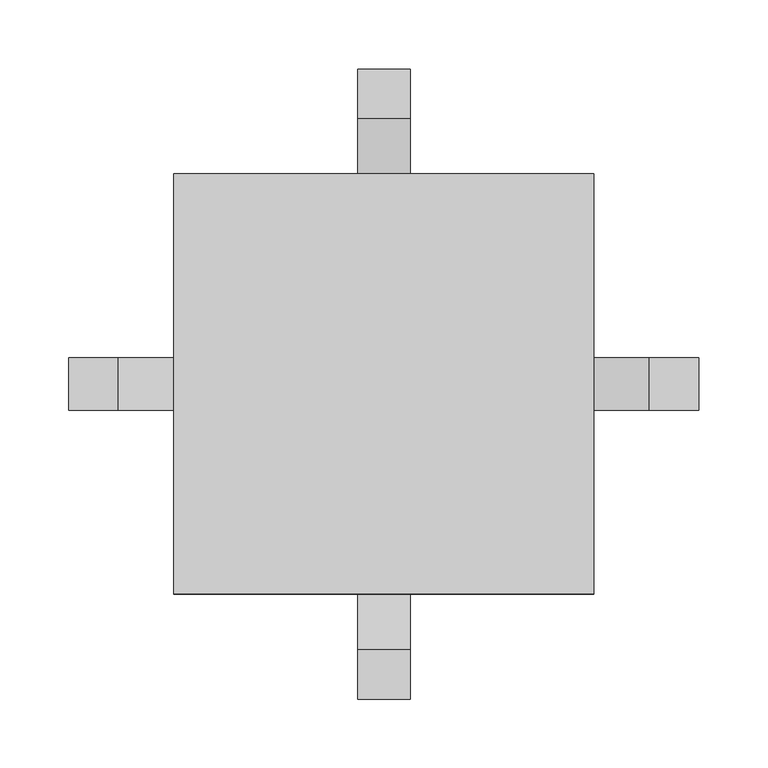
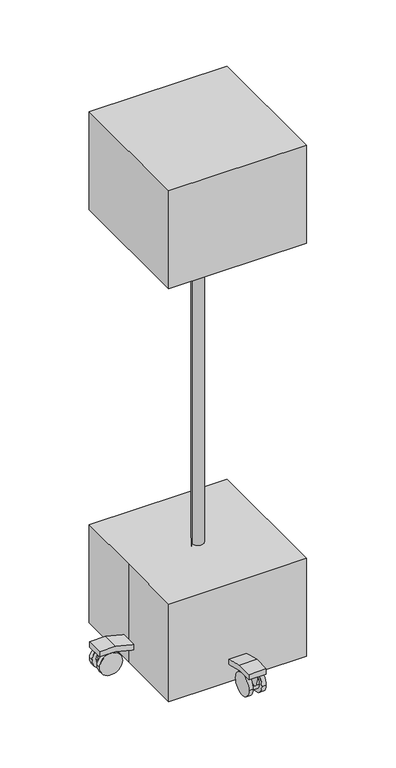
"""IFC4 building model written with IfcOpenShell, lengths in millimetres: proxy geometry."""

from ifc_helpers import new_model, si_unit, point, frame, frame_2d, origin, origin_with_axes, place, context, project, spatial, polyline, circle_curve, trimmed, segment, composite_curve, outline, extrude, source, transform, mapped, element, save


def specialty_equipment_db1a511b(model_context):
    return source(origin(), model_context, "Body", "SweptSolid", [
        extrude(outline(composite_curve([segment(trimmed(circle_curve(frame_2d((25.4, -203.1007812)), 25.4), [point((25.4, -177.7007812))], [point((25.4, -228.5007812))], False, "CARTESIAN"), True, "CONTINUOUS"), segment(trimmed(circle_curve(frame_2d((25.4, -203.1007812)), 25.4), [point((25.4, -228.5007812))], [point((25.4, -177.7007812))], False, "CARTESIAN"), True, "CONTINUOUS")], self_intersect=False)), frame((0.0, -19.0582682, 0.0), z_axis=(0.0, 1.0, 0.0), x_axis=(0.0, 0.0, 1.0)), (0.0, 0.0, 1.0), 9.525),
        extrude(outline(composite_curve([segment(trimmed(circle_curve(frame_2d((25.4, -203.1007812)), 25.4), [point((25.4, -177.7007812))], [point((25.4, -228.5007812))], False, "CARTESIAN"), True, "CONTINUOUS"), segment(trimmed(circle_curve(frame_2d((25.4, -203.1007812)), 25.4), [point((25.4, -228.5007812))], [point((25.4, -177.7007812))], False, "CARTESIAN"), True, "CONTINUOUS")], self_intersect=False)), frame((0.0, 9.5167318, 0.0), z_axis=(0.0, 1.0, 0.0), x_axis=(0.0, 0.0, 1.0)), (0.0, 0.0, 1.0), 9.525),
        extrude(outline(composite_curve([segment(trimmed(circle_curve(frame_2d((-203.0759766, 25.4)), 25.4), [point((-228.4759766, 25.4))], [point((-177.6759766, 25.4))], False, "CARTESIAN"), True, "CONTINUOUS"), segment(trimmed(circle_curve(frame_2d((-203.0759766, 25.4)), 25.4), [point((-177.6759766, 25.4))], [point((-228.4759766, 25.4))], False, "CARTESIAN"), True, "CONTINUOUS")], self_intersect=False)), frame((9.4919271, 0.0, 0.0), z_axis=(1.0, 0.0, 0.0), x_axis=(0.0, 1.0, 0.0)), (0.0, 0.0, 1.0), 9.525),
        extrude(outline(composite_curve([segment(trimmed(circle_curve(frame_2d((-203.0759766, 25.4)), 25.4), [point((-177.6759766, 25.4))], [point((-228.4759766, 25.4))], False, "CARTESIAN"), True, "CONTINUOUS"), segment(trimmed(circle_curve(frame_2d((-203.0759766, 25.4)), 25.4), [point((-228.4759766, 25.4))], [point((-177.6759766, 25.4))], False, "CARTESIAN"), True, "CONTINUOUS")], self_intersect=False)), frame((-19.0830729, 0.0, 0.0), z_axis=(1.0, 0.0, 0.0), x_axis=(0.0, 1.0, 0.0)), (0.0, 0.0, 1.0), 9.525),
        extrude(outline(composite_curve([segment(trimmed(circle_curve(frame_2d((25.4, 203.2330729)), 25.4), [point((25.4, 228.6330729))], [point((25.4, 177.8330729))], False, "CARTESIAN"), True, "CONTINUOUS"), segment(trimmed(circle_curve(frame_2d((25.4, 203.2330729)), 25.4), [point((25.4, 177.8330729))], [point((25.4, 228.6330729))], False, "CARTESIAN"), True, "CONTINUOUS")], self_intersect=False)), frame((0.0, 9.5167318, 0.0), z_axis=(0.0, 1.0, 0.0), x_axis=(0.0, 0.0, 1.0)), (0.0, 0.0, 1.0), 9.525),
        extrude(outline(composite_curve([segment(trimmed(circle_curve(frame_2d((25.4, 203.2330729)), 25.4), [point((25.4, 177.8330729))], [point((25.4, 228.6330729))], False, "CARTESIAN"), True, "CONTINUOUS"), segment(trimmed(circle_curve(frame_2d((25.4, 203.2330729)), 25.4), [point((25.4, 228.6330729))], [point((25.4, 177.8330729))], False, "CARTESIAN"), True, "CONTINUOUS")], self_intersect=False)), frame((0.0, -19.0582682, 0.0), z_axis=(0.0, 1.0, 0.0), x_axis=(0.0, 0.0, 1.0)), (0.0, 0.0, 1.0), 9.525),
        extrude(outline(composite_curve([segment(trimmed(circle_curve(frame_2d((203.2082682, 25.4)), 25.4), [point((177.8082682, 25.4))], [point((228.6082682, 25.4))], False, "CARTESIAN"), True, "CONTINUOUS"), segment(trimmed(circle_curve(frame_2d((203.2082682, 25.4)), 25.4), [point((228.6082682, 25.4))], [point((177.8082682, 25.4))], False, "CARTESIAN"), True, "CONTINUOUS")], self_intersect=False)), frame((-19.0830729, 0.0, 0.0), z_axis=(1.0, 0.0, 0.0), x_axis=(0.0, 1.0, 0.0)), (0.0, 0.0, 1.0), 9.525),
        extrude(outline(composite_curve([segment(trimmed(circle_curve(frame_2d((203.2082682, 25.4)), 25.4), [point((177.8082682, 25.4))], [point((228.6082682, 25.4))], False, "CARTESIAN"), True, "CONTINUOUS"), segment(trimmed(circle_curve(frame_2d((203.2082682, 25.4)), 25.4), [point((228.6082682, 25.4))], [point((177.8082682, 25.4))], False, "CARTESIAN"), True, "CONTINUOUS")], self_intersect=False)), frame((9.4919271, 0.0, 0.0), z_axis=(1.0, 0.0, 0.0), x_axis=(0.0, 1.0, 0.0)), (0.0, 0.0, 1.0), 9.525),
        extrude(outline(polyline([(152.4, -152.4), (-152.4, -152.4), (-152.4, 152.4), (152.4, 152.4), (152.4, -152.4)])), frame((0.0, 0.0, 965.2), z_axis=(0.0, 0.0, 1.0), x_axis=(1.0, 0.0, 0.0)), (0.0, 0.0, 1.0), 228.6),
        extrude(outline(composite_curve([segment(trimmed(circle_curve(frame_2d((-0.0330729, -211.5426432)), 8.4666667), [point((-8.4997396, -211.5426432))], [point((8.4335937, -211.5426432))], False, "CARTESIAN"), True, "CONTINUOUS"), segment(trimmed(circle_curve(frame_2d((-0.0330729, -211.5426432)), 8.4666667), [point((8.4335937, -211.5426432))], [point((-8.4997396, -211.5426432))], False, "CARTESIAN"), True, "CONTINUOUS")], self_intersect=False)), frame((0.0, 0.0, 25.4), z_axis=(0.0, 0.0, 1.0), x_axis=(1.0, 0.0, 0.0)), (0.0, 0.0, 1.0), 25.4),
        extrude(outline(composite_curve([segment(trimmed(circle_curve(frame_2d((-203.0759766, 25.4)), 16.9333333), [point((-186.1426432, 25.4))], [point((-220.0093099, 25.4))], False, "CARTESIAN"), True, "CONTINUOUS"), segment(trimmed(circle_curve(frame_2d((-203.0759766, 25.4)), 16.9333333), [point((-220.0093099, 25.4))], [point((-186.1426432, 25.4))], False, "CARTESIAN"), True, "CONTINUOUS")], self_intersect=False)), frame((-9.5580729, 0.0, 0.0), z_axis=(1.0, 0.0, 0.0), x_axis=(0.0, 1.0, 0.0)), (0.0, 0.0, 1.0), 19.05),
        extrude(outline(composite_curve([segment(trimmed(circle_curve(frame_2d((211.6997396, -0.0082682)), 8.4666667), [point((211.6997396, -8.4749349))], [point((211.6997396, 8.4583984))], False, "CARTESIAN"), True, "CONTINUOUS"), segment(trimmed(circle_curve(frame_2d((211.6997396, -0.0082682)), 8.4666667), [point((211.6997396, 8.4583984))], [point((211.6997396, -8.4749349))], False, "CARTESIAN"), True, "CONTINUOUS")], self_intersect=False)), frame((0.0, 0.0, 25.4), z_axis=(0.0, 0.0, 1.0), x_axis=(1.0, 0.0, 0.0)), (0.0, 0.0, 1.0), 25.4),
        extrude(outline(composite_curve([segment(trimmed(circle_curve(frame_2d((25.4, 203.2330729)), 16.9333333), [point((25.4, 186.2997396))], [point((25.4, 220.1664063))], False, "CARTESIAN"), True, "CONTINUOUS"), segment(trimmed(circle_curve(frame_2d((25.4, 203.2330729)), 16.9333333), [point((25.4, 220.1664063))], [point((25.4, 186.2997396))], False, "CARTESIAN"), True, "CONTINUOUS")], self_intersect=False)), frame((0.0, -9.5332682, 0.0), z_axis=(0.0, 1.0, 0.0), x_axis=(0.0, 0.0, 1.0)), (0.0, 0.0, 1.0), 19.05),
        extrude(outline(composite_curve([segment(trimmed(circle_curve(frame_2d((-211.5674479, -0.0082682)), 8.4666667), [point((-211.5674479, 8.4583984))], [point((-211.5674479, -8.4749349))], False, "CARTESIAN"), True, "CONTINUOUS"), segment(trimmed(circle_curve(frame_2d((-211.5674479, -0.0082682)), 8.4666667), [point((-211.5674479, -8.4749349))], [point((-211.5674479, 8.4583984))], False, "CARTESIAN"), True, "CONTINUOUS")], self_intersect=False)), frame((0.0, 0.0, 25.4), z_axis=(0.0, 0.0, 1.0), x_axis=(1.0, 0.0, 0.0)), (0.0, 0.0, 1.0), 25.4),
        extrude(outline(composite_curve([segment(trimmed(circle_curve(frame_2d((25.4, -203.1007812)), 16.9333333), [point((25.4, -186.1674479))], [point((25.4, -220.0341146))], False, "CARTESIAN"), True, "CONTINUOUS"), segment(trimmed(circle_curve(frame_2d((25.4, -203.1007812)), 16.9333333), [point((25.4, -220.0341146))], [point((25.4, -186.1674479))], False, "CARTESIAN"), True, "CONTINUOUS")], self_intersect=False)), frame((0.0, -9.5332682, 0.0), z_axis=(0.0, 1.0, 0.0), x_axis=(0.0, 0.0, 1.0)), (0.0, 0.0, 1.0), 19.05),
        extrude(outline(composite_curve([segment(trimmed(circle_curve(frame_2d((-0.0330729, 211.6749349)), 8.4666667), [point((8.4335937, 211.6749349))], [point((-8.4997396, 211.6749349))], False, "CARTESIAN"), True, "CONTINUOUS"), segment(trimmed(circle_curve(frame_2d((-0.0330729, 211.6749349)), 8.4666667), [point((-8.4997396, 211.6749349))], [point((8.4335937, 211.6749349))], False, "CARTESIAN"), True, "CONTINUOUS")], self_intersect=False)), frame((0.0, 0.0, 25.4), z_axis=(0.0, 0.0, 1.0), x_axis=(1.0, 0.0, 0.0)), (0.0, 0.0, 1.0), 25.4),
        extrude(outline(composite_curve([segment(trimmed(circle_curve(frame_2d((203.2082682, 25.4)), 16.9333333), [point((186.2749349, 25.4))], [point((220.1416016, 25.4))], False, "CARTESIAN"), True, "CONTINUOUS"), segment(trimmed(circle_curve(frame_2d((203.2082682, 25.4)), 16.9333333), [point((220.1416016, 25.4))], [point((186.2749349, 25.4))], False, "CARTESIAN"), True, "CONTINUOUS")], self_intersect=False)), frame((-9.5580729, 0.0, 0.0), z_axis=(1.0, 0.0, 0.0), x_axis=(0.0, 1.0, 0.0)), (0.0, 0.0, 1.0), 19.05),
        extrude(outline(polyline([(228.5917318, 63.5), (228.5917318, 50.8), (193.8134089, 50.8), (45.6467423, 12.7), (-45.6632787, 12.7), (-193.8299454, 50.8), (-228.6082682, 50.8), (-228.6082682, 63.5), (-192.6249349, 63.5), (-44.4582682, 25.4), (44.4417318, 25.4), (192.6083984, 63.5), (228.5917318, 63.5)])), frame((-19.0830729, 0.0, 0.0), z_axis=(1.0, 0.0, 0.0), x_axis=(0.0, 1.0, 0.0)), (0.0, 0.0, 1.0), 38.1),
        extrude(outline(composite_curve([segment(trimmed(circle_curve(frame_2d((-0.0330729, -0.0082682)), 12.7), [point((-12.7330729, -0.0082682))], [point((12.6669271, -0.0082682))], False, "CARTESIAN"), True, "CONTINUOUS"), segment(trimmed(circle_curve(frame_2d((-0.0330729, -0.0082682)), 12.7), [point((12.6669271, -0.0082682))], [point((-12.7330729, -0.0082682))], False, "CARTESIAN"), True, "CONTINUOUS")], self_intersect=False)), frame((0.0, 0.0, 12.7), z_axis=(0.0, 0.0, 1.0), x_axis=(1.0, 0.0, 0.0)), (0.0, 0.0, 1.0), 952.5),
        extrude(outline(polyline([(63.5, -228.6330729), (50.8, -228.6330729), (50.8, -193.8547501), (12.7, -45.6880834), (12.7, 45.6219376), (50.8, 193.7886043), (50.8, 228.5669271), (63.5, 228.5669271), (63.5, 192.5835938), (25.4, 44.4169271), (25.4, -44.4830729), (63.5, -192.6497396), (63.5, -228.6330729)])), frame((0.0, -19.0582682, 0.0), z_axis=(0.0, 1.0, 0.0), x_axis=(0.0, 0.0, 1.0)), (0.0, 0.0, 1.0), 38.1),
        extrude(outline(polyline([(-152.4, -152.4), (-152.4, 0.0), (-152.4, 152.4), (152.4, 152.4), (152.4, -152.4), (-152.4, -152.4)])), origin_with_axes(), (0.0, 0.0, 1.0), 228.6),
    ])


if __name__ == "__main__":
    model = new_model("IFC4")
    model_context = context("Model", 3, world=origin())
    ifc_project = project(units=[si_unit("LENGTHUNIT", "METRE", prefix="MILLI")], contexts=[model_context])
    site = spatial("IfcSite", under=ifc_project)
    building = spatial("IfcBuilding", under=site)
    placement = place(None, origin())
    specialty_equipment_shape = specialty_equipment_db1a511b(model_context)
    element("IfcBuildingElementProxy", 1, Name="Specialty Equipment", at=placement, inside=building, context=model_context, shape_type="MappedRepresentation", body=[
        mapped(specialty_equipment_shape, transform((0.0, 0.0, 0.0), x_axis=(1.0, 0.0, 0.0), y_axis=(0.0, 1.0, 0.0), z_axis=(0.0, 0.0, 1.0))),
    ])
    save(model, "model.ifc")
